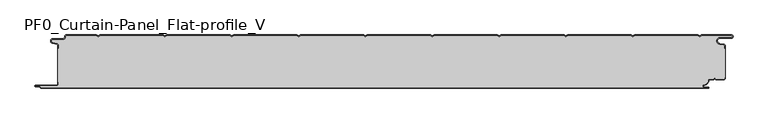
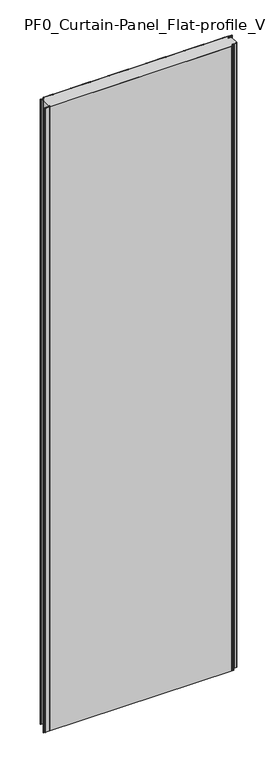
"""IFC4 building model written with IfcOpenShell, lengths in millimetres: plate geometry, PF0_Curtain-Panel_Flat-profile_V."""

from ifc_helpers import new_model, si_unit, point, frame, frame_2d, origin, origin_with_axes, place, context, project, spatial, polyline, circle_curve, trimmed, segment, composite_curve, outline, extrude, source, transform, mapped, element, save
from ifc_brep_helpers import plane_surface, cylinder_surface, revolved_surface, advanced_brep


def pf0_curtain_panel_flat_profile_v_e18ef05c(model_context):
    return source(origin(), model_context, "Body", "SolidModel", [
        advanced_brep(
        [(-500.0, -15.878557, 3500.0), (-500.0, -20.0, 3500.0), (-499.2, -20.0, 3500.0), (-499.2, -15.878557, 3500.0), (-501.370137, -13.1503208, 3500.0), (-507.529863, -11.728236, 3500.0), (-506.9, -6.2, 3500.0), (-491.4, -6.2, 3500.0), (-488.6, -3.4, 3500.0), (-488.6, -2.0, 3500.0), (-487.4, -0.8, 3500.0), (-442.3143588, -0.8, 3500.0), (-439.4, -2.482606, 3500.0), (-436.4856412, -0.8, 3500.0), (-342.3143588, -0.8, 3500.0), (-339.4, -2.482606, 3500.0), (-336.4856412, -0.8, 3500.0), (-242.3143588, -0.8, 3500.0), (-239.4, -2.482606, 3500.0), (-236.4856412, -0.8, 3500.0), (-142.3143588, -0.8, 3500.0), (-139.4, -2.482606, 3500.0), (-136.4856412, -0.8, 3500.0), (-42.3143588, -0.8, 3500.0), (-39.4, -2.482606, 3500.0), (-36.4856412, -0.8, 3500.0), (57.6856412, -0.8, 3500.0), (60.6, -2.482606, 3500.0), (63.5143588, -0.8, 3500.0), (157.6856412, -0.8, 3500.0), (160.6, -2.482606, 3500.0), (163.5143588, -0.8, 3500.0), (257.6856412, -0.8, 3500.0), (260.6, -2.482606, 3500.0), (263.5143588, -0.8, 3500.0), (357.6856412, -0.8, 3500.0), (360.6, -2.482606, 3500.0), (363.5143588, -0.8, 3500.0), (457.6856412, -0.8, 3500.0), (460.6, -2.482606, 3500.0), (463.5143588, -0.8, 3500.0), (508.1, -0.8, 3500.0), (508.1, -4.2, 3500.0), (491.1, -4.2, 3500.0), (490.2664884, -13.7270771, 3500.0), (496.7125669, -14.8636953, 3500.0), (498.2, -16.6363492, 3500.0), (498.2, -20.0, 3500.0), (499.0, -20.0, 3500.0), (499.0, -16.6363492, 3500.0), (496.8514855, -14.0758491, 3500.0), (490.405407, -12.939231, 3500.0), (491.1, -5.0, 3500.0), (508.1, -5.0, 3500.0), (510.6, -2.5, 3500.0), (508.1, 0.0, 3500.0), (463.2999995, 0.0, 3500.0), (460.6, -1.5588455, 3500.0), (457.9000005, 0.0, 3500.0), (363.2999995, 0.0, 3500.0), (360.6, -1.5588455, 3500.0), (357.9000005, 0.0, 3500.0), (263.2999995, 0.0, 3500.0), (260.6, -1.5588455, 3500.0), (257.9000005, 0.0, 3500.0), (163.2999995, 0.0, 3500.0), (160.6, -1.5588455, 3500.0), (157.9000005, 0.0, 3500.0), (63.2999995, 0.0, 3500.0), (60.6, -1.5588455, 3500.0), (57.9000005, 0.0, 3500.0), (-36.7000005, 0.0, 3500.0), (-39.4, -1.5588455, 3500.0), (-42.0999995, 0.0, 3500.0), (-136.7000005, 0.0, 3500.0), (-139.4, -1.5588455, 3500.0), (-142.0999995, 0.0, 3500.0), (-236.7000005, 0.0, 3500.0), (-239.4, -1.5588455, 3500.0), (-242.0999995, 0.0, 3500.0), (-336.7000005, 0.0, 3500.0), (-339.4, -1.5588455, 3500.0), (-342.0999995, 0.0, 3500.0), (-436.7000005, 0.0, 3500.0), (-439.4, -1.5588455, 3500.0), (-442.0999995, 0.0, 3500.0), (-487.4, 0.0, 3500.0), (-489.4, -2.0, 3500.0), (-489.4, -3.4, 3500.0), (-491.4, -5.4, 3500.0), (-506.9, -5.4, 3500.0), (-507.7098239, -12.5077322, 3500.0), (-501.5500979, -13.929817, 3500.0), (-500.0, -15.878557, 0.0), (-501.5500978, -13.9298169, 0.0), (-507.7098239, -12.507732, 0.0), (-506.9, -5.4, 0.0), (-491.4, -5.4, 0.0), (-489.4, -3.4, 0.0), (-489.4, -2.0, 0.0), (-487.4, 0.0, 0.0), (-442.0999995, 0.0, 0.0), (-439.4, -1.5588455, 0.0), (-436.7000005, 0.0, 0.0), (-342.0999995, 0.0, 0.0), (-339.4, -1.5588455, 0.0), (-336.7000005, 0.0, 0.0), (-242.0999995, 0.0, 0.0), (-239.4, -1.5588455, 0.0), (-236.7000005, 0.0, 0.0), (-142.0999995, 0.0, 0.0), (-139.4, -1.5588455, 0.0), (-136.7000005, 0.0, 0.0), (-42.0999995, 0.0, 0.0), (-39.4, -1.5588455, 0.0), (-36.7000005, 0.0, 0.0), (57.9000005, 0.0, 0.0), (60.6, -1.5588455, 0.0), (63.2999995, 0.0, 0.0), (157.9000005, 0.0, 0.0), (160.6, -1.5588455, 0.0), (163.2999995, 0.0, 0.0), (257.9000005, 0.0, 0.0), (260.6, -1.5588455, 0.0), (263.2999995, 0.0, 0.0), (357.9000005, 0.0, 0.0), (360.6, -1.5588455, 0.0), (363.2999995, 0.0, 0.0), (457.9000005, 0.0, 0.0), (460.6, -1.5588455, 0.0), (463.2999995, 0.0, 0.0), (508.1, 0.0, 0.0), (510.6, -2.5, 0.0), (508.1, -5.0, 0.0), (491.1, -5.0, 0.0), (490.405407, -12.939231, 0.0), (496.8514855, -14.0758491, 0.0), (499.0, -16.6363492, 0.0), (499.0, -20.0, 0.0), (498.2, -20.0, 0.0), (498.2, -16.6363492, 0.0), (496.7125669, -14.8636953, 0.0), (490.2664884, -13.7270772, 0.0), (491.1, -4.2, 0.0), (508.1, -4.2, 0.0), (508.1, -0.8, 0.0), (463.5143588, -0.8, 0.0), (460.6, -2.482606, 0.0), (457.6856412, -0.8, 0.0), (363.5143588, -0.8, 0.0), (360.6, -2.482606, 0.0), (357.6856412, -0.8, 0.0), (263.5143588, -0.8, 0.0), (260.6, -2.482606, 0.0), (257.6856412, -0.8, 0.0), (163.5143588, -0.8, 0.0), (160.6, -2.482606, 0.0), (157.6856412, -0.8, 0.0), (63.5143588, -0.8, 0.0), (60.6, -2.482606, 0.0), (57.6856412, -0.8, 0.0), (-36.4856412, -0.8, 0.0), (-39.4, -2.482606, 0.0), (-42.3143588, -0.8, 0.0), (-136.4856412, -0.8, 0.0), (-139.4, -2.482606, 0.0), (-142.3143588, -0.8, 0.0), (-236.4856412, -0.8, 0.0), (-239.4, -2.482606, 0.0), (-242.3143588, -0.8, 0.0), (-336.4856412, -0.8, 0.0), (-339.4, -2.482606, 0.0), (-342.3143588, -0.8, 0.0), (-436.4856412, -0.8, 0.0), (-439.4, -2.482606, 0.0), (-442.3143588, -0.8, 0.0), (-487.4, -0.8, 0.0), (-488.6, -2.0, 0.0), (-488.6, -3.4, 0.0), (-491.4, -6.2, 0.0), (-506.9, -6.2, 0.0), (-507.529863, -11.7282362, 0.0), (-501.370137, -13.150321, 0.0), (-499.2, -15.878557, 0.0), (-499.2, -20.0, 0.0), (-500.0, -20.0, 0.0)],
        [
            (0, 1),
            (1, 2),
            (2, 3),
            (3, 4, circle_curve(frame((-502.0, -15.878557, 3500.0), z_axis=(0.0, 0.0, 1.0), x_axis=(1.0, 0.0, 0.0)), 2.8)),
            (4, 5),
            (5, 6, circle_curve(frame((-506.9, -9.0, 3500.0), z_axis=(0.0, 0.0, -1.0), x_axis=(1.0, 0.0, 0.0)), 2.8)),
            (6, 7),
            (7, 8, circle_curve(frame((-491.4, -3.4, 3500.0), z_axis=(0.0, 0.0, 1.0), x_axis=(1.0, 0.0, 0.0)), 2.8)),
            (8, 9),
            (9, 10, circle_curve(frame((-487.4, -2.0, 3500.0), z_axis=(0.0, 0.0, -1.0), x_axis=(1.0, 0.0, 0.0)), 1.2)),
            (10, 11),
            (11, 12),
            (12, 13),
            (13, 14),
            (14, 15),
            (15, 16),
            (16, 17),
            (17, 18),
            (18, 19),
            (19, 20),
            (20, 21),
            (21, 22),
            (22, 23),
            (23, 24),
            (24, 25),
            (25, 26),
            (26, 27),
            (27, 28),
            (28, 29),
            (29, 30),
            (30, 31),
            (31, 32),
            (32, 33),
            (33, 34),
            (34, 35),
            (35, 36),
            (36, 37),
            (37, 38),
            (38, 39),
            (39, 40),
            (40, 41),
            (41, 42, circle_curve(frame((508.1, -2.5, 3500.0), z_axis=(0.0, 0.0, -1.0), x_axis=(1.0, 0.0, 0.0)), 1.7)),
            (42, 43),
            (43, 44, circle_curve(frame((491.1, -9.0, 3500.0), z_axis=(0.0, 0.0, 1.0), x_axis=(1.0, 0.0, 0.0)), 4.8)),
            (44, 45),
            (45, 46, circle_curve(frame((496.4, -16.6363492, 3500.0), z_axis=(0.0, 0.0, -1.0), x_axis=(1.0, 0.0, 0.0)), 1.8)),
            (46, 47),
            (47, 48),
            (48, 49),
            (49, 50, circle_curve(frame((496.4, -16.6363492, 3500.0), z_axis=(0.0, 0.0, 1.0), x_axis=(1.0, 0.0, 0.0)), 2.6)),
            (50, 51),
            (51, 52, circle_curve(frame((491.1, -9.0, 3500.0), z_axis=(0.0, 0.0, -1.0), x_axis=(1.0, 0.0, 0.0)), 4.0)),
            (52, 53),
            (53, 54, circle_curve(frame((508.1, -2.5, 3500.0), z_axis=(0.0, 0.0, 1.0), x_axis=(1.0, 0.0, 0.0)), 2.5)),
            (54, 55, circle_curve(frame((508.1, -2.5, 3500.0), z_axis=(0.0, 0.0, 1.0), x_axis=(1.0, 0.0, 0.0)), 2.5)),
            (55, 56),
            (56, 57),
            (57, 58),
            (58, 59),
            (59, 60),
            (60, 61),
            (61, 62),
            (62, 63),
            (63, 64),
            (64, 65),
            (65, 66),
            (66, 67),
            (67, 68),
            (68, 69),
            (69, 70),
            (70, 71),
            (71, 72),
            (72, 73),
            (73, 74),
            (74, 75),
            (75, 76),
            (76, 77),
            (77, 78),
            (78, 79),
            (79, 80),
            (80, 81),
            (81, 82),
            (82, 83),
            (83, 84),
            (84, 85),
            (85, 86),
            (86, 87, circle_curve(frame((-487.4, -2.0, 3500.0), z_axis=(0.0, 0.0, 1.0), x_axis=(1.0, 0.0, 0.0)), 2.0)),
            (87, 88),
            (88, 89, circle_curve(frame((-491.4, -3.4, 3500.0), z_axis=(0.0, 0.0, -1.0), x_axis=(1.0, 0.0, 0.0)), 2.0)),
            (89, 90),
            (90, 91, circle_curve(frame((-506.9, -9.0, 3500.0), z_axis=(0.0, 0.0, 1.0), x_axis=(1.0, 0.0, 0.0)), 3.6)),
            (91, 92),
            (92, 0, circle_curve(frame((-502.0, -15.878557, 3500.0), z_axis=(0.0, 0.0, -1.0), x_axis=(1.0, 0.0, 0.0)), 2.0)),
            (93, 94, circle_curve(frame((-502.0, -15.878557, 0.0), z_axis=(0.0, 0.0, 1.0), x_axis=(1.0, 0.0, 0.0)), 2.0)),
            (94, 95),
            (95, 96, circle_curve(frame((-506.9, -9.0, 0.0), z_axis=(0.0, 0.0, -1.0), x_axis=(1.0, 0.0, 0.0)), 3.6)),
            (96, 97),
            (97, 98, circle_curve(frame((-491.4, -3.4, 0.0), z_axis=(0.0, 0.0, 1.0), x_axis=(1.0, 0.0, 0.0)), 2.0)),
            (98, 99),
            (99, 100, circle_curve(frame((-487.4, -2.0, 0.0), z_axis=(0.0, 0.0, -1.0), x_axis=(1.0, 0.0, 0.0)), 2.0)),
            (100, 101),
            (101, 102),
            (102, 103),
            (103, 104),
            (104, 105),
            (105, 106),
            (106, 107),
            (107, 108),
            (108, 109),
            (109, 110),
            (110, 111),
            (111, 112),
            (112, 113),
            (113, 114),
            (114, 115),
            (115, 116),
            (116, 117),
            (117, 118),
            (118, 119),
            (119, 120),
            (120, 121),
            (121, 122),
            (122, 123),
            (123, 124),
            (124, 125),
            (125, 126),
            (126, 127),
            (127, 128),
            (128, 129),
            (129, 130),
            (130, 131),
            (131, 132, circle_curve(frame((508.1, -2.5, 0.0), z_axis=(0.0, 0.0, -1.0), x_axis=(1.0, 0.0, 0.0)), 2.5)),
            (132, 133, circle_curve(frame((508.1, -2.5, 0.0), z_axis=(0.0, 0.0, -1.0), x_axis=(1.0, 0.0, 0.0)), 2.5)),
            (133, 134),
            (134, 135, circle_curve(frame((491.1, -9.0, 0.0), z_axis=(0.0, 0.0, 1.0), x_axis=(1.0, 0.0, 0.0)), 4.0)),
            (135, 136),
            (136, 137, circle_curve(frame((496.4, -16.6363492, 0.0), z_axis=(0.0, 0.0, -1.0), x_axis=(1.0, 0.0, 0.0)), 2.6)),
            (137, 138),
            (138, 139),
            (139, 140),
            (140, 141, circle_curve(frame((496.4, -16.6363492, 0.0), z_axis=(0.0, 0.0, 1.0), x_axis=(1.0, 0.0, 0.0)), 1.8)),
            (141, 142),
            (142, 143, circle_curve(frame((491.1, -9.0, 0.0), z_axis=(0.0, 0.0, -1.0), x_axis=(1.0, 0.0, 0.0)), 4.8)),
            (143, 144),
            (144, 145, circle_curve(frame((508.1, -2.5, 0.0), z_axis=(0.0, 0.0, 1.0), x_axis=(1.0, 0.0, 0.0)), 1.7)),
            (145, 146),
            (146, 147),
            (147, 148),
            (148, 149),
            (149, 150),
            (150, 151),
            (151, 152),
            (152, 153),
            (153, 154),
            (154, 155),
            (155, 156),
            (156, 157),
            (157, 158),
            (158, 159),
            (159, 160),
            (160, 161),
            (161, 162),
            (162, 163),
            (163, 164),
            (164, 165),
            (165, 166),
            (166, 167),
            (167, 168),
            (168, 169),
            (169, 170),
            (170, 171),
            (171, 172),
            (172, 173),
            (173, 174),
            (174, 175),
            (175, 176),
            (176, 177, circle_curve(frame((-487.4, -2.0, 0.0), z_axis=(0.0, 0.0, 1.0), x_axis=(1.0, 0.0, 0.0)), 1.2)),
            (177, 178),
            (178, 179, circle_curve(frame((-491.4, -3.4, 0.0), z_axis=(0.0, 0.0, -1.0), x_axis=(1.0, 0.0, 0.0)), 2.8)),
            (179, 180),
            (180, 181, circle_curve(frame((-506.9, -9.0, 0.0), z_axis=(0.0, 0.0, 1.0), x_axis=(1.0, 0.0, 0.0)), 2.8)),
            (181, 182),
            (182, 183, circle_curve(frame((-502.0, -15.878557, 0.0), z_axis=(0.0, 0.0, -1.0), x_axis=(1.0, 0.0, 0.0)), 2.8)),
            (183, 184),
            (184, 185),
            (185, 93),
            (0, 93),
            (185, 1),
            (184, 2),
            (183, 3),
            (182, 4),
            (181, 5),
            (180, 6),
            (179, 7),
            (178, 8),
            (177, 9),
            (176, 10),
            (175, 11),
            (174, 12),
            (173, 13),
            (172, 14),
            (171, 15),
            (170, 16),
            (169, 17),
            (168, 18),
            (167, 19),
            (166, 20),
            (165, 21),
            (164, 22),
            (163, 23),
            (162, 24),
            (161, 25),
            (160, 26),
            (159, 27),
            (158, 28),
            (157, 29),
            (156, 30),
            (155, 31),
            (154, 32),
            (153, 33),
            (152, 34),
            (151, 35),
            (150, 36),
            (149, 37),
            (148, 38),
            (147, 39),
            (146, 40),
            (145, 41),
            (144, 42),
            (143, 43),
            (142, 44),
            (141, 45),
            (140, 46),
            (139, 47),
            (138, 48),
            (137, 49),
            (136, 50),
            (135, 51),
            (134, 52),
            (133, 53),
            (131, 55),
            (56, 130),
            (129, 57),
            (128, 58),
            (127, 59),
            (126, 60),
            (125, 61),
            (124, 62),
            (123, 63),
            (122, 64),
            (121, 65),
            (120, 66),
            (119, 67),
            (118, 68),
            (117, 69),
            (116, 70),
            (115, 71),
            (114, 72),
            (113, 73),
            (112, 74),
            (111, 75),
            (110, 76),
            (109, 77),
            (108, 78),
            (107, 79),
            (106, 80),
            (105, 81),
            (104, 82),
            (103, 83),
            (102, 84),
            (101, 85),
            (100, 86),
            (99, 87),
            (98, 88),
            (97, 89),
            (96, 90),
            (95, 91),
            (94, 92),
        ],
        [
            plane_surface(frame((-500.0, 0.0, 3500.0), z_axis=(0.0, 0.0, 1.0), x_axis=(0.0, 1.0, 0.0))),
            plane_surface(frame((-500.0, 0.0, 0.0), z_axis=(0.0, 0.0, -1.0), x_axis=(0.0, 1.0, 0.0))),
            plane_surface(frame((-500.0, -15.878557, 3500.0), z_axis=(-1.0, 0.0, 0.0), x_axis=(0.0, 0.0, -1.0))),
            plane_surface(frame((-500.0, -20.0, 3500.0), z_axis=(0.0, -1.0, 0.0), x_axis=(0.0, 0.0, -1.0))),
            plane_surface(frame((-499.2, -20.0, 3500.0), z_axis=(1.0, 0.0, 0.0), x_axis=(0.0, 0.0, -1.0))),
            cylinder_surface(frame((-502.0, -15.878557, 3500.0), z_axis=(0.0, 0.0, 1.0), x_axis=(1.0, 0.0, 0.0)), 2.8),
            plane_surface(frame((-501.370137, -13.150321, 3500.0), z_axis=(0.22495108446242484, 0.9743700578318174, 0.0), x_axis=(0.0, 0.0, -1.0))),
            revolved_surface(polyline([(-504.09999999999997, -9.0, 0.0), (-504.09999999999997, -9.0, 3500.0)]), (-506.9, -9.0, 3500.0), (0.0, 0.0, -1.0)),
            plane_surface(frame((-506.9, -6.2, 3500.0), z_axis=(0.0, -1.0, 0.0), x_axis=(0.0, 0.0, -1.0))),
            cylinder_surface(frame((-491.4, -3.4, 3500.0), z_axis=(0.0, 0.0, 1.0), x_axis=(1.0, 0.0, 0.0)), 2.8),
            plane_surface(frame((-488.6, -3.4, 3500.0), z_axis=(1.0, 0.0, 0.0), x_axis=(0.0, 0.0, -1.0))),
            revolved_surface(polyline([(-486.2, -2.0, 0.0), (-486.2, -2.0, 3500.0)]), (-487.4, -2.0, 3500.0), (0.0, 0.0, -1.0)),
            plane_surface(frame((-487.4, -0.8, 3500.0), z_axis=(0.0, -1.0, 0.0), x_axis=(0.0, 0.0, -1.0))),
            plane_surface(frame((-442.3143588, -0.8, 3500.0), z_axis=(-0.5000000299313342, -0.8660253865035741, 0.0), x_axis=(0.0, 0.0, -1.0))),
            plane_surface(frame((-439.4, -2.482606, 3500.0), z_axis=(0.5000000299313233, -0.8660253865035805, 0.0), x_axis=(0.0, 0.0, -1.0))),
            plane_surface(frame((-436.4856412, -0.8, 3500.0), z_axis=(0.0, -1.0, 0.0), x_axis=(0.0, 0.0, -1.0))),
            plane_surface(frame((-342.3143588, -0.8, 3500.0), z_axis=(-0.5000000299313346, -0.8660253865035739, 0.0), x_axis=(0.0, 0.0, -1.0))),
            plane_surface(frame((-339.4, -2.482606, 3500.0), z_axis=(0.5000000299313251, -0.8660253865035794, 0.0), x_axis=(0.0, 0.0, -1.0))),
            plane_surface(frame((-336.4856412, -0.8, 3500.0), z_axis=(0.0, -1.0, 0.0), x_axis=(0.0, 0.0, -1.0))),
            plane_surface(frame((-242.3143588, -0.8, 3500.0), z_axis=(-0.5000000299313346, -0.866025386503574, 0.0), x_axis=(0.0, 0.0, -1.0))),
            plane_surface(frame((-239.4, -2.482606, 3500.0), z_axis=(0.5000000299313251, -0.8660253865035794, 0.0), x_axis=(0.0, 0.0, -1.0))),
            plane_surface(frame((-236.4856412, -0.8, 3500.0), z_axis=(0.0, -1.0, 0.0), x_axis=(0.0, 0.0, -1.0))),
            plane_surface(frame((-142.3143588, -0.8, 3500.0), z_axis=(-0.5000000299313349, -0.8660253865035739, 0.0), x_axis=(0.0, 0.0, -1.0))),
            plane_surface(frame((-139.4, -2.482606, 3500.0), z_axis=(0.5000000299313233, -0.8660253865035805, 0.0), x_axis=(0.0, 0.0, -1.0))),
            plane_surface(frame((-136.4856412, -0.8, 3500.0), z_axis=(0.0, -1.0, 0.0), x_axis=(0.0, 0.0, -1.0))),
            plane_surface(frame((-42.3143588, -0.8, 3500.0), z_axis=(-0.5000000299313346, -0.866025386503574, 0.0), x_axis=(0.0, 0.0, -1.0))),
            plane_surface(frame((-39.4, -2.482606, 3500.0), z_axis=(0.5000000299313239, -0.8660253865035802, 0.0), x_axis=(0.0, 0.0, -1.0))),
            plane_surface(frame((-36.4856412, -0.8, 3500.0), z_axis=(0.0, -1.0, 0.0), x_axis=(0.0, 0.0, -1.0))),
            plane_surface(frame((57.6856412, -0.8, 3500.0), z_axis=(-0.5000000299313347, -0.8660253865035739, 0.0), x_axis=(0.0, 0.0, -1.0))),
            plane_surface(frame((60.6, -2.482606, 3500.0), z_axis=(0.5000000299313232, -0.8660253865035805, 0.0), x_axis=(0.0, 0.0, -1.0))),
            plane_surface(frame((63.5143588, -0.8, 3500.0), z_axis=(0.0, -1.0, 0.0), x_axis=(0.0, 0.0, -1.0))),
            plane_surface(frame((157.6856412, -0.8, 3500.0), z_axis=(-0.5000000299313346, -0.866025386503574, 0.0), x_axis=(0.0, 0.0, -1.0))),
            plane_surface(frame((160.6, -2.482606, 3500.0), z_axis=(0.5000000299313262, -0.8660253865035787, 0.0), x_axis=(0.0, 0.0, -1.0))),
            plane_surface(frame((163.5143588, -0.8, 3500.0), z_axis=(0.0, -1.0, 0.0), x_axis=(0.0, 0.0, -1.0))),
            plane_surface(frame((257.6856412, -0.8, 3500.0), z_axis=(-0.5000000299313346, -0.8660253865035739, 0.0), x_axis=(0.0, 0.0, -1.0))),
            plane_surface(frame((260.6, -2.482606, 3500.0), z_axis=(0.5000000299313263, -0.8660253865035787, 0.0), x_axis=(0.0, 0.0, -1.0))),
            plane_surface(frame((263.5143588, -0.8, 3500.0), z_axis=(0.0, -1.0, 0.0), x_axis=(0.0, 0.0, -1.0))),
            plane_surface(frame((357.6856412, -0.8, 3500.0), z_axis=(-0.5000000299313346, -0.8660253865035739, 0.0), x_axis=(0.0, 0.0, -1.0))),
            plane_surface(frame((360.6, -2.482606, 3500.0), z_axis=(0.5000000299313255, -0.8660253865035792, 0.0), x_axis=(0.0, 0.0, -1.0))),
            plane_surface(frame((363.5143588, -0.8, 3500.0), z_axis=(0.0, -1.0, 0.0), x_axis=(0.0, 0.0, -1.0))),
            plane_surface(frame((457.6856412, -0.8, 3500.0), z_axis=(-0.5000000299313347, -0.8660253865035739, 0.0), x_axis=(0.0, 0.0, -1.0))),
            plane_surface(frame((460.6, -2.482606, 3500.0), z_axis=(0.5000000299313263, -0.8660253865035787, 0.0), x_axis=(0.0, 0.0, -1.0))),
            plane_surface(frame((463.5143588, -0.8, 3500.0), z_axis=(0.0, -1.0, 0.0), x_axis=(0.0, 0.0, -1.0))),
            revolved_surface(polyline([(509.8, -2.5, 0.0), (509.8, -2.5, 3500.0)]), (508.1, -2.5, 3500.0), (0.0, 0.0, -1.0)),
            plane_surface(frame((508.1, -4.2, 3500.0), z_axis=(0.0, 1.0, 0.0), x_axis=(0.0, 0.0, -1.0))),
            cylinder_surface(frame((491.1, -9.0, 3500.0), z_axis=(0.0, 0.0, 1.0), x_axis=(1.0, 0.0, 0.0)), 4.8),
            plane_surface(frame((490.2664884, -13.7270772, 3500.0), z_axis=(-0.17364825602592485, -0.9848077391954, 0.0), x_axis=(0.0, 0.0, -1.0))),
            revolved_surface(polyline([(498.2, -16.6363492, 0.0), (498.2, -16.6363492, 3500.0)]), (496.4, -16.6363492, 3500.0), (0.0, 0.0, -1.0)),
            plane_surface(frame((498.2, -16.6363492, 3500.0), z_axis=(-1.0, 0.0, 0.0), x_axis=(0.0, 0.0, -1.0))),
            plane_surface(frame((498.2, -20.0, 3500.0), z_axis=(0.0, -1.0, 0.0), x_axis=(0.0, 0.0, -1.0))),
            plane_surface(frame((499.0, -20.0, 3500.0), z_axis=(1.0, 0.0, 0.0), x_axis=(0.0, 0.0, -1.0))),
            cylinder_surface(frame((496.4, -16.6363492, 3500.0), z_axis=(0.0, 0.0, 1.0), x_axis=(1.0, 0.0, 0.0)), 2.6),
            plane_surface(frame((496.8514855, -14.0758491, 3500.0), z_axis=(0.1736482560259256, 0.9848077391953998, 0.0), x_axis=(0.0, 0.0, -1.0))),
            revolved_surface(polyline([(495.1, -9.0, 0.0), (495.1, -9.0, 3500.0)]), (491.1, -9.0, 3500.0), (0.0, 0.0, -1.0)),
            plane_surface(frame((491.1, -5.0, 3500.0), z_axis=(0.0, -1.0, 0.0), x_axis=(0.0, 0.0, -1.0))),
            cylinder_surface(frame((508.1, -2.5, 3500.0), z_axis=(0.0, 0.0, 1.0), x_axis=(1.0, 0.0, 0.0)), 2.5),
            plane_surface(frame((463.2999995, 0.0, 3500.0), z_axis=(-0.5000000299313235, 0.8660253865035803, 0.0), x_axis=(0.0, 0.0, -1.0))),
            plane_surface(frame((460.6, -1.5588455, 3500.0), z_axis=(0.5000000299313346, 0.8660253865035739, 0.0), x_axis=(0.0, 0.0, -1.0))),
            plane_surface(frame((457.9000005, 0.0, 3500.0), z_axis=(0.0, 1.0, 0.0), x_axis=(0.0, 0.0, -1.0))),
            plane_surface(frame((363.2999995, 0.0, 3500.0), z_axis=(-0.5000000299313235, 0.8660253865035803, 0.0), x_axis=(0.0, 0.0, -1.0))),
            plane_surface(frame((360.6, -1.5588455, 3500.0), z_axis=(0.5000000299313346, 0.8660253865035739, 0.0), x_axis=(0.0, 0.0, -1.0))),
            plane_surface(frame((357.9000005, 0.0, 3500.0), z_axis=(0.0, 1.0, 0.0), x_axis=(0.0, 0.0, -1.0))),
            plane_surface(frame((263.2999995, 0.0, 3500.0), z_axis=(-0.5000000299313235, 0.8660253865035803, 0.0), x_axis=(0.0, 0.0, -1.0))),
            plane_surface(frame((260.6, -1.5588455, 3500.0), z_axis=(0.5000000299313346, 0.8660253865035739, 0.0), x_axis=(0.0, 0.0, -1.0))),
            plane_surface(frame((257.9000005, 0.0, 3500.0), z_axis=(0.0, 1.0, 0.0), x_axis=(0.0, 0.0, -1.0))),
            plane_surface(frame((163.2999995, 0.0, 3500.0), z_axis=(-0.5000000299313235, 0.8660253865035803, 0.0), x_axis=(0.0, 0.0, -1.0))),
            plane_surface(frame((160.6, -1.5588455, 3500.0), z_axis=(0.5000000299313346, 0.8660253865035739, 0.0), x_axis=(0.0, 0.0, -1.0))),
            plane_surface(frame((157.9000005, 0.0, 3500.0), z_axis=(0.0, 1.0, 0.0), x_axis=(0.0, 0.0, -1.0))),
            plane_surface(frame((63.2999995, 0.0, 3500.0), z_axis=(-0.5000000299313235, 0.8660253865035803, 0.0), x_axis=(0.0, 0.0, -1.0))),
            plane_surface(frame((60.6, -1.5588455, 3500.0), z_axis=(0.5000000299313346, 0.8660253865035739, 0.0), x_axis=(0.0, 0.0, -1.0))),
            plane_surface(frame((57.9000005, 0.0, 3500.0), z_axis=(0.0, 1.0, 0.0), x_axis=(0.0, 0.0, -1.0))),
            plane_surface(frame((-36.7000005, 0.0, 3500.0), z_axis=(-0.5000000299313235, 0.8660253865035803, 0.0), x_axis=(0.0, 0.0, -1.0))),
            plane_surface(frame((-39.4, -1.5588455, 3500.0), z_axis=(0.5000000299313346, 0.8660253865035739, 0.0), x_axis=(0.0, 0.0, -1.0))),
            plane_surface(frame((-42.0999995, 0.0, 3500.0), z_axis=(0.0, 1.0, 0.0), x_axis=(0.0, 0.0, -1.0))),
            plane_surface(frame((-136.7000005, 0.0, 3500.0), z_axis=(-0.5000000299313235, 0.8660253865035803, 0.0), x_axis=(0.0, 0.0, -1.0))),
            plane_surface(frame((-139.4, -1.5588455, 3500.0), z_axis=(0.5000000299313346, 0.8660253865035739, 0.0), x_axis=(0.0, 0.0, -1.0))),
            plane_surface(frame((-142.0999995, 0.0, 3500.0), z_axis=(0.0, 1.0, 0.0), x_axis=(0.0, 0.0, -1.0))),
            plane_surface(frame((-236.7000005, 0.0, 3500.0), z_axis=(-0.5000000299313235, 0.8660253865035803, 0.0), x_axis=(0.0, 0.0, -1.0))),
            plane_surface(frame((-239.4, -1.5588455, 3500.0), z_axis=(0.5000000299313346, 0.8660253865035739, 0.0), x_axis=(0.0, 0.0, -1.0))),
            plane_surface(frame((-242.0999995, 0.0, 3500.0), z_axis=(0.0, 1.0, 0.0), x_axis=(0.0, 0.0, -1.0))),
            plane_surface(frame((-336.7000005, 0.0, 3500.0), z_axis=(-0.5000000299313235, 0.8660253865035803, 0.0), x_axis=(0.0, 0.0, -1.0))),
            plane_surface(frame((-339.4, -1.5588455, 3500.0), z_axis=(0.5000000299313346, 0.8660253865035739, 0.0), x_axis=(0.0, 0.0, -1.0))),
            plane_surface(frame((-342.0999995, 0.0, 3500.0), z_axis=(0.0, 1.0, 0.0), x_axis=(0.0, 0.0, -1.0))),
            plane_surface(frame((-436.7000005, 0.0, 3500.0), z_axis=(-0.5000000299313235, 0.8660253865035803, 0.0), x_axis=(0.0, 0.0, -1.0))),
            plane_surface(frame((-439.4, -1.5588455, 3500.0), z_axis=(0.5000000299313346, 0.8660253865035739, 0.0), x_axis=(0.0, 0.0, -1.0))),
            plane_surface(frame((-442.0999995, 0.0, 3500.0), z_axis=(0.0, 1.0, 0.0), x_axis=(0.0, 0.0, -1.0))),
            cylinder_surface(frame((-487.4, -2.0, 3500.0), z_axis=(0.0, 0.0, 1.0), x_axis=(1.0, 0.0, 0.0)), 2.0),
            plane_surface(frame((-489.4, -2.0, 3500.0), z_axis=(-1.0, 0.0, 0.0), x_axis=(0.0, 0.0, -1.0))),
            revolved_surface(polyline([(-489.4, -3.4, 0.0), (-489.4, -3.4, 3500.0)]), (-491.4, -3.4, 3500.0), (0.0, 0.0, -1.0)),
            plane_surface(frame((-491.4, -5.4, 3500.0), z_axis=(0.0, 1.0, 0.0), x_axis=(0.0, 0.0, -1.0))),
            cylinder_surface(frame((-506.9, -9.0, 3500.0), z_axis=(0.0, 0.0, 1.0), x_axis=(1.0, 0.0, 0.0)), 3.6),
            plane_surface(frame((-507.7098239, -12.507732, 3500.0), z_axis=(-0.22495108446242487, -0.9743700578318174, 0.0), x_axis=(0.0, 0.0, -1.0))),
            revolved_surface(polyline([(-500.0, -15.878557, 0.0), (-500.0, -15.878557, 3500.0)]), (-502.0, -15.878557, 3500.0), (0.0, 0.0, -1.0)),
            plane_surface(frame((508.1, 0.0, 3500.0), z_axis=(0.0, 1.0, 0.0), x_axis=(0.0, 0.0, -1.0))),
        ],
        [
            (0, [[1, 2, 3, 4, 5, 6, 7, 8, 9, 10, 11, 12, 13, 14, 15, 16, 17, 18, 19, 20, 21, 22, 23, 24, 25, 26, 27, 28, 29, 30, 31, 32, 33, 34, 35, 36, 37, 38, 39, 40, 41, 42, 43, 44, 45, 46, 47, 48, 49, 50, 51, 52, 53, 54, 55, 56, 57, 58, 59, 60, 61, 62, 63, 64, 65, 66, 67, 68, 69, 70, 71, 72, 73, 74, 75, 76, 77, 78, 79, 80, 81, 82, 83, 84, 85, 86, 87, 88, 89, 90, 91, 92, 93]]),
            (1, [[94, 95, 96, 97, 98, 99, 100, 101, 102, 103, 104, 105, 106, 107, 108, 109, 110, 111, 112, 113, 114, 115, 116, 117, 118, 119, 120, 121, 122, 123, 124, 125, 126, 127, 128, 129, 130, 131, 132, 133, 134, 135, 136, 137, 138, 139, 140, 141, 142, 143, 144, 145, 146, 147, 148, 149, 150, 151, 152, 153, 154, 155, 156, 157, 158, 159, 160, 161, 162, 163, 164, 165, 166, 167, 168, 169, 170, 171, 172, 173, 174, 175, 176, 177, 178, 179, 180, 181, 182, 183, 184, 185, 186]]),
            (2, [[-1, 187, -186, 188]]),
            (3, [[-2, -188, -185, 189]]),
            (4, [[-3, -189, -184, 190]]),
            (5, [[-4, -190, -183, 191]]),
            (6, [[-5, -191, -182, 192]]),
            (7, [[-6, -192, -181, 193]]),
            (8, [[-7, -193, -180, 194]]),
            (9, [[-8, -194, -179, 195]]),
            (10, [[-9, -195, -178, 196]]),
            (11, [[-10, -196, -177, 197]]),
            (12, [[-11, -197, -176, 198]]),
            (13, [[-12, -198, -175, 199]]),
            (14, [[-13, -199, -174, 200]]),
            (15, [[-14, -200, -173, 201]]),
            (16, [[-15, -201, -172, 202]]),
            (17, [[-16, -202, -171, 203]]),
            (18, [[-17, -203, -170, 204]]),
            (19, [[-18, -204, -169, 205]]),
            (20, [[-19, -205, -168, 206]]),
            (21, [[-20, -206, -167, 207]]),
            (22, [[-21, -207, -166, 208]]),
            (23, [[-22, -208, -165, 209]]),
            (24, [[-23, -209, -164, 210]]),
            (25, [[-24, -210, -163, 211]]),
            (26, [[-25, -211, -162, 212]]),
            (27, [[-26, -212, -161, 213]]),
            (28, [[-27, -213, -160, 214]]),
            (29, [[-28, -214, -159, 215]]),
            (30, [[-29, -215, -158, 216]]),
            (31, [[-30, -216, -157, 217]]),
            (32, [[-31, -217, -156, 218]]),
            (33, [[-32, -218, -155, 219]]),
            (34, [[-33, -219, -154, 220]]),
            (35, [[-34, -220, -153, 221]]),
            (36, [[-35, -221, -152, 222]]),
            (37, [[-36, -222, -151, 223]]),
            (38, [[-37, -223, -150, 224]]),
            (39, [[-38, -224, -149, 225]]),
            (40, [[-39, -225, -148, 226]]),
            (41, [[-40, -226, -147, 227]]),
            (42, [[-41, -227, -146, 228]]),
            (43, [[-42, -228, -145, 229]]),
            (44, [[-43, -229, -144, 230]]),
            (45, [[-44, -230, -143, 231]]),
            (46, [[-45, -231, -142, 232]]),
            (47, [[-46, -232, -141, 233]]),
            (48, [[-47, -233, -140, 234]]),
            (49, [[-48, -234, -139, 235]]),
            (50, [[-49, -235, -138, 236]]),
            (51, [[-50, -236, -137, 237]]),
            (52, [[-51, -237, -136, 238]]),
            (53, [[-52, -238, -135, 239]]),
            (54, [[-53, -239, -134, 240]]),
            (55, [[-240, -133, -132, 241, -55, -54]]),
            (56, [[-57, 242, -130, 243]]),
            (57, [[-58, -243, -129, 244]]),
            (58, [[-59, -244, -128, 245]]),
            (59, [[-60, -245, -127, 246]]),
            (60, [[-61, -246, -126, 247]]),
            (61, [[-62, -247, -125, 248]]),
            (62, [[-63, -248, -124, 249]]),
            (63, [[-64, -249, -123, 250]]),
            (64, [[-65, -250, -122, 251]]),
            (65, [[-66, -251, -121, 252]]),
            (66, [[-67, -252, -120, 253]]),
            (67, [[-68, -253, -119, 254]]),
            (68, [[-69, -254, -118, 255]]),
            (69, [[-70, -255, -117, 256]]),
            (70, [[-71, -256, -116, 257]]),
            (71, [[-72, -257, -115, 258]]),
            (72, [[-73, -258, -114, 259]]),
            (73, [[-74, -259, -113, 260]]),
            (74, [[-75, -260, -112, 261]]),
            (75, [[-76, -261, -111, 262]]),
            (76, [[-77, -262, -110, 263]]),
            (77, [[-78, -263, -109, 264]]),
            (78, [[-79, -264, -108, 265]]),
            (79, [[-80, -265, -107, 266]]),
            (80, [[-81, -266, -106, 267]]),
            (81, [[-82, -267, -105, 268]]),
            (82, [[-83, -268, -104, 269]]),
            (83, [[-84, -269, -103, 270]]),
            (84, [[-85, -270, -102, 271]]),
            (85, [[-86, -271, -101, 272]]),
            (86, [[-87, -272, -100, 273]]),
            (87, [[-88, -273, -99, 274]]),
            (88, [[-89, -274, -98, 275]]),
            (89, [[-90, -275, -97, 276]]),
            (90, [[-91, -276, -96, 277]]),
            (91, [[-92, -277, -95, 278]]),
            (92, [[-93, -278, -94, -187]]),
            (93, [[-56, -241, -131, -242]]),
        ],
    ),
        extrude(outline(composite_curve([segment(polyline([(-499.2, -70.0), (-500.0, -70.0), (-500.0, -20.0), (-499.2, -20.0), (-499.2, -15.878557)]), True, "CONTINUOUS"), segment(trimmed(circle_curve(frame_2d((-502.0, -15.878557)), 2.8), [point((-499.2, -15.878557))], [point((-501.370137, -13.1503208))], True, "CARTESIAN"), True, "CONTINUOUS"), segment(polyline([(-501.370137, -13.1503208), (-507.529863, -11.7282362)]), True, "CONTINUOUS"), segment(trimmed(circle_curve(frame_2d((-506.9, -9.0)), 2.8), [point((-507.529863, -11.7282362))], [point((-506.9, -6.2))], False, "CARTESIAN"), True, "CONTINUOUS"), segment(polyline([(-506.9, -6.2), (-491.4, -6.2)]), True, "CONTINUOUS"), segment(trimmed(circle_curve(frame_2d((-491.4, -3.4)), 2.8), [point((-491.4, -6.2))], [point((-488.6, -3.4))], True, "CARTESIAN"), True, "CONTINUOUS"), segment(polyline([(-488.6, -3.4), (-488.6, -2.0)]), True, "CONTINUOUS"), segment(trimmed(circle_curve(frame_2d((-487.4, -2.0)), 1.2), [point((-488.6, -2.0))], [point((-487.4, -0.8))], False, "CARTESIAN"), True, "CONTINUOUS"), segment(polyline([(-487.4, -0.8), (-442.3143588, -0.8), (-439.4, -2.482606), (-436.4856412, -0.8), (-342.3143588, -0.8), (-339.4, -2.482606), (-336.4856412, -0.8), (-242.3143588, -0.8), (-239.4, -2.482606), (-236.4856412, -0.8), (-142.3143588, -0.8), (-139.4, -2.482606), (-136.4856412, -0.8), (-42.3143588, -0.8), (-39.4, -2.482606), (-36.4856412, -0.8), (57.6856412, -0.8), (60.6, -2.482606), (63.5143588, -0.8), (157.6856412, -0.8), (160.6, -2.482606), (163.5143588, -0.8), (257.6856412, -0.8), (260.6, -2.482606), (263.5143588, -0.8), (357.6856412, -0.8), (360.6, -2.482606), (363.5143588, -0.8), (457.6856412, -0.8), (460.6, -2.482606), (463.5143588, -0.8), (508.1, -0.8)]), True, "CONTINUOUS"), segment(trimmed(circle_curve(frame_2d((508.1, -2.5)), 1.7), [point((508.1, -0.8))], [point((508.1, -4.2))], False, "CARTESIAN"), True, "CONTINUOUS"), segment(polyline([(508.1, -4.2), (491.1, -4.2)]), True, "CONTINUOUS"), segment(trimmed(circle_curve(frame_2d((491.1, -9.0)), 4.8), [point((491.1, -4.2))], [point((490.2664884, -13.7270772))], True, "CARTESIAN"), True, "CONTINUOUS"), segment(polyline([(490.2664884, -13.7270772), (496.7125669, -14.8636953)]), True, "CONTINUOUS"), segment(trimmed(circle_curve(frame_2d((496.4, -16.6363492)), 1.8), [point((496.7125669, -14.8636953))], [point((498.2, -16.6363492))], False, "CARTESIAN"), True, "CONTINUOUS"), segment(polyline([(498.2, -16.6363492), (498.2, -20.0), (499.0, -20.0), (499.0, -63.0), (498.2, -63.0), (498.2, -64.4)]), True, "CONTINUOUS"), segment(trimmed(circle_curve(frame_2d((496.4, -64.4)), 1.8), [point((498.2, -64.4))], [point((496.4, -66.2))], False, "CARTESIAN"), True, "CONTINUOUS"), segment(polyline([(496.4, -66.2), (484.8313698, -66.2), (483.0, -64.3686285), (481.1686302, -66.2), (475.0, -66.2)]), True, "CONTINUOUS"), segment(trimmed(circle_curve(frame_2d((475.0, -68.0)), 1.8), [point((475.0, -66.2))], [point((473.2, -68.0))], True, "CARTESIAN"), True, "CONTINUOUS"), segment(polyline([(473.2, -68.0), (473.2, -68.8276204)]), True, "CONTINUOUS"), segment(trimmed(circle_curve(frame_2d((467.8276204, -68.8276204)), 5.3723796), [point((473.2, -68.8276204))], [point((467.8276204, -74.2))], False, "CARTESIAN"), True, "CONTINUOUS"), segment(polyline([(467.8276204, -74.2), (467.0, -74.2)]), True, "CONTINUOUS"), segment(trimmed(circle_curve(frame_2d((467.0, -76.4)), 2.2), [point((467.0, -74.2))], [point((467.0, -78.6))], True, "CARTESIAN"), True, "CONTINUOUS"), segment(polyline([(467.0, -78.6), (472.8891513, -78.6)]), True, "CONTINUOUS"), segment(trimmed(circle_curve(frame_2d((472.8891513, -78.9)), 0.3), [point((472.8891513, -78.6))], [point((472.8891513, -79.2))], False, "CARTESIAN"), True, "CONTINUOUS"), segment(polyline([(472.8891513, -79.2), (-524.4, -79.2)]), True, "CONTINUOUS"), segment(trimmed(circle_curve(frame_2d((-524.4, -78.4)), 0.8), [point((-524.4, -79.2))], [point((-525.2, -78.4))], False, "CARTESIAN"), True, "CONTINUOUS"), segment(trimmed(circle_curve(frame_2d((-526.9, -78.6133333)), 1.7133333), [point((-525.2, -78.4))], [point((-526.9, -76.9))], True, "CARTESIAN"), True, "CONTINUOUS"), segment(polyline([(-526.9, -76.9), (-532.8700312, -76.9)]), True, "CONTINUOUS"), segment(trimmed(circle_curve(frame_2d((-532.8700312, -76.6)), 0.3), [point((-532.8700312, -76.9))], [point((-532.8700312, -76.3))], False, "CARTESIAN"), True, "CONTINUOUS"), segment(polyline([(-532.8700312, -76.3), (-502.0, -76.3)]), True, "CONTINUOUS"), segment(trimmed(circle_curve(frame_2d((-502.0, -73.5)), 2.8), [point((-502.0, -76.3))], [point((-499.2, -73.5))], True, "CARTESIAN"), True, "CONTINUOUS"), segment(polyline([(-499.2, -73.5), (-499.2, -70.0)]), True, "CONTINUOUS")], self_intersect=False)), origin_with_axes(), (0.0, 0.0, 1.0), 3500.0),
        extrude(outline(composite_curve([segment(polyline([(-500.0, -70.0), (-499.2, -70.0), (-499.2, -73.5)]), True, "CONTINUOUS"), segment(trimmed(circle_curve(frame_2d((-502.0, -73.5)), 2.8), [point((-499.2, -73.5))], [point((-502.0, -76.3))], False, "CARTESIAN"), True, "CONTINUOUS"), segment(polyline([(-502.0, -76.3), (-532.8700312, -76.3)]), True, "CONTINUOUS"), segment(trimmed(circle_curve(frame_2d((-532.8700312, -76.6)), 0.3), [point((-532.8700312, -76.3))], [point((-532.8700312, -76.9))], True, "CARTESIAN"), True, "CONTINUOUS"), segment(polyline([(-532.8700312, -76.9), (-526.9, -76.9)]), True, "CONTINUOUS"), segment(trimmed(circle_curve(frame_2d((-526.9, -78.6133333)), 1.7133333), [point((-526.9, -76.9))], [point((-525.2, -78.4))], False, "CARTESIAN"), True, "CONTINUOUS"), segment(trimmed(circle_curve(frame_2d((-524.4, -78.4)), 0.8), [point((-525.2, -78.4))], [point((-524.4, -79.2))], True, "CARTESIAN"), True, "CONTINUOUS"), segment(polyline([(-524.4, -79.2), (472.8891513, -79.2)]), True, "CONTINUOUS"), segment(trimmed(circle_curve(frame_2d((472.8891513, -78.9)), 0.3), [point((472.8891513, -79.2))], [point((472.8891513, -78.6))], True, "CARTESIAN"), True, "CONTINUOUS"), segment(polyline([(472.8891513, -78.6), (467.0, -78.6)]), True, "CONTINUOUS"), segment(trimmed(circle_curve(frame_2d((467.0, -76.4)), 2.2), [point((467.0, -78.6))], [point((467.0, -74.2))], False, "CARTESIAN"), True, "CONTINUOUS"), segment(polyline([(467.0, -74.2), (467.8276204, -74.2)]), True, "CONTINUOUS"), segment(trimmed(circle_curve(frame_2d((467.8276204, -68.8276204)), 5.3723796), [point((467.8276204, -74.2))], [point((473.2, -68.8276204))], True, "CARTESIAN"), True, "CONTINUOUS"), segment(polyline([(473.2, -68.8276204), (473.2, -68.0)]), True, "CONTINUOUS"), segment(trimmed(circle_curve(frame_2d((475.0, -68.0)), 1.8), [point((473.2, -68.0))], [point((475.0, -66.2))], False, "CARTESIAN"), True, "CONTINUOUS"), segment(polyline([(475.0, -66.2), (481.1686302, -66.2), (483.0, -64.3686285), (484.8313698, -66.2), (496.4, -66.2)]), True, "CONTINUOUS"), segment(trimmed(circle_curve(frame_2d((496.4, -64.4)), 1.8), [point((496.4, -66.2))], [point((498.2, -64.4))], True, "CARTESIAN"), True, "CONTINUOUS"), segment(polyline([(498.2, -64.4), (498.2, -63.0), (499.0, -63.0), (499.0, -64.4)]), True, "CONTINUOUS"), segment(trimmed(circle_curve(frame_2d((496.4, -64.4)), 2.6), [point((499.0, -64.4))], [point((496.4, -67.0))], False, "CARTESIAN"), True, "CONTINUOUS"), segment(polyline([(496.4, -67.0), (484.4999988, -67.0), (483.0, -65.4999999), (481.5000012, -67.0), (475.0, -67.0)]), True, "CONTINUOUS"), segment(trimmed(circle_curve(frame_2d((475.0, -68.0)), 1.0), [point((475.0, -67.0))], [point((474.0, -68.0))], True, "CARTESIAN"), True, "CONTINUOUS"), segment(polyline([(474.0, -68.0), (474.0, -68.8276204)]), True, "CONTINUOUS"), segment(trimmed(circle_curve(frame_2d((467.8276204, -68.8276204)), 6.1723796), [point((474.0, -68.8276204))], [point((467.8276204, -75.0))], False, "CARTESIAN"), True, "CONTINUOUS"), segment(polyline([(467.8276204, -75.0), (467.0, -75.0)]), True, "CONTINUOUS"), segment(trimmed(circle_curve(frame_2d((467.0, -76.5)), 1.5), [point((467.0, -75.0))], [point((467.0, -78.0))], True, "CARTESIAN"), True, "CONTINUOUS"), segment(polyline([(467.0, -78.0), (473.0, -78.0)]), True, "CONTINUOUS"), segment(trimmed(circle_curve(frame_2d((473.0, -79.0)), 1.0), [point((473.0, -78.0))], [point((473.0, -80.0))], False, "CARTESIAN"), True, "CONTINUOUS"), segment(polyline([(473.0, -80.0), (-524.4, -80.0)]), True, "CONTINUOUS"), segment(trimmed(circle_curve(frame_2d((-524.4, -78.4)), 1.6), [point((-524.4, -80.0))], [point((-526.0, -78.4))], False, "CARTESIAN"), True, "CONTINUOUS"), segment(trimmed(circle_curve(frame_2d((-526.9, -78.4)), 0.9), [point((-526.0, -78.4))], [point((-526.9, -77.5))], True, "CARTESIAN"), True, "CONTINUOUS"), segment(polyline([(-526.9, -77.5), (-533.0, -77.5)]), True, "CONTINUOUS"), segment(trimmed(circle_curve(frame_2d((-533.0, -76.5)), 1.0), [point((-533.0, -77.5))], [point((-533.0, -75.5))], False, "CARTESIAN"), True, "CONTINUOUS"), segment(polyline([(-533.0, -75.5), (-502.0, -75.5)]), True, "CONTINUOUS"), segment(trimmed(circle_curve(frame_2d((-502.0, -73.5)), 2.0), [point((-502.0, -75.5))], [point((-500.0, -73.5))], True, "CARTESIAN"), True, "CONTINUOUS"), segment(polyline([(-500.0, -73.5), (-500.0, -70.0)]), True, "CONTINUOUS")], self_intersect=False)), origin_with_axes(), (0.0, 0.0, 1.0), 3500.0),
    ])


if __name__ == "__main__":
    model = new_model("IFC4")
    model_context = context("Model", 3, world=origin())
    ifc_project = project(units=[si_unit("LENGTHUNIT", "METRE", prefix="MILLI")], contexts=[model_context])
    site = spatial("IfcSite", under=ifc_project)
    building = spatial("IfcBuilding", under=site)
    placement = place(None, origin())
    pf0_curtain_panel_flat_profile_v_shape = pf0_curtain_panel_flat_profile_v_e18ef05c(model_context)
    element("IfcPlate", 1, ObjectType="PF0_Curtain-Panel_Flat-profile_V", at=placement, inside=building, context=model_context, shape_type="MappedRepresentation", body=[
        mapped(pf0_curtain_panel_flat_profile_v_shape, transform((0.0, 0.0, 0.0), x_axis=(1.0, 0.0, 0.0), y_axis=(0.0, 1.0, 0.0), z_axis=(0.0, 0.0, 1.0))),
    ])
    save(model, "model.ifc")
